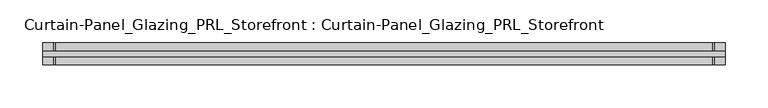
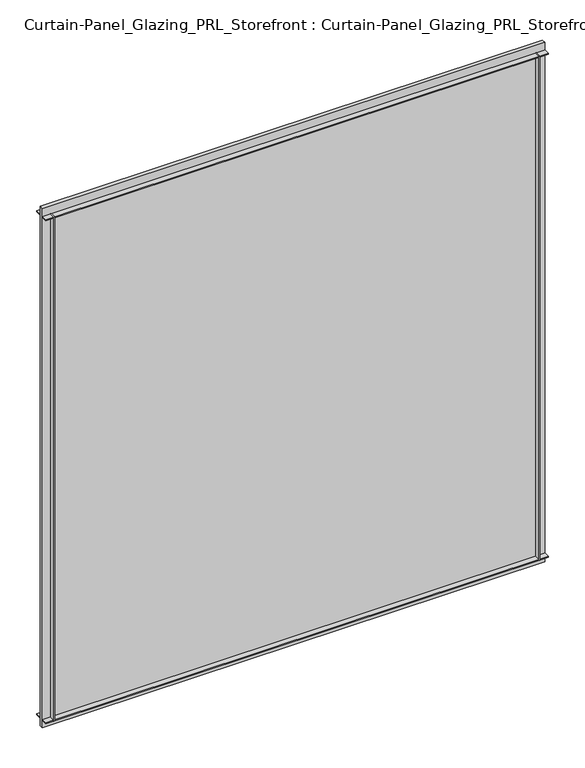
"""IFC4 building model written with IfcOpenShell, lengths in millimetres: plate geometry, Curtain-Panel_Glazing_PRL_Storefront : Curtain-Panel_Glazing_PRL_Storefront."""

import ifcopenshell
import ifcopenshell.guid

model = None  # the IFC model being written
_history = None  # IfcOwnerHistory: only IFC2X3 demands one
_inside = {}  # id of a spatial element -> (the spatial element, [elements in it])
_under = {}  # id of a project, library or spatial element -> (it, [spatial elements below it])
_declared = {}  # id of a project -> (the project, [libraries it declares])
_typed = {}  # id of a type object -> (the type object, [elements of that type])
_made_of = {}  # id of a material, layer set ... -> (it, [elements and type objects made of it])


def new_model(schema):
    """Start an empty IFC model of exactly this schema.

    Asked for "IFC4X3", IfcOpenShell would pick the latest addendum, in which some entities
    have other attributes; the version numbers below select the first issue.
    IFC2X3 requires an IfcOwnerHistory on every rooted entity: one is made here for all.
    """
    global model, _history
    if schema == "IFC4X3":
        model = ifcopenshell.file(schema_version=(4, 3, 0, 0))
    else:
        model = ifcopenshell.file(schema=schema)
    _inside.clear()
    _under.clear()
    _declared.clear()
    _typed.clear()
    _made_of.clear()
    _history = None
    if model.schema == "IFC2X3":
        org = make("IfcOrganization", Name="unknown")
        user = make(
            "IfcPersonAndOrganization",
            ThePerson=make("IfcPerson", FamilyName="unknown"),
            TheOrganization=org,
        )
        app = make(
            "IfcApplication",
            ApplicationDeveloper=org,
            Version="unknown",
            ApplicationFullName="unknown",
            ApplicationIdentifier="unknown",
        )
        _history = make(
            "IfcOwnerHistory",
            OwningUser=user,
            OwningApplication=app,
            ChangeAction="ADDED",
            CreationDate=0,
        )
    return model


def make(cls, **values):
    """One entity of the class cls with the attributes given. An attribute that is None is left unset."""
    return model.create_entity(
        cls, **{name: value for name, value in values.items() if value is not None}
    )


def rooted(cls, **values):
    """An entity with a GlobalId (a new one), such as an element, a storey or a relation."""
    return make(cls, GlobalId=ifcopenshell.guid.new(), OwnerHistory=_history, **values)


def si_unit(unit_type, name, prefix=None):
    """IfcSIUnit, for example si_unit("LENGTHUNIT", "METRE", prefix="MILLI")."""
    return make("IfcSIUnit", UnitType=unit_type, Prefix=prefix, Name=name)


def assignment(units):
    """IfcUnitAssignment: the units of a project."""
    return None if units is None else make("IfcUnitAssignment", Units=units)


def point(xyz):
    """IfcCartesianPoint."""
    return None if xyz is None else make("IfcCartesianPoint", Coordinates=xyz)


def direction(xyz):
    """IfcDirection."""
    return None if xyz is None else make("IfcDirection", DirectionRatios=xyz)


def frame(location, z_axis=None, x_axis=None):
    """IfcAxis2Placement3D, a coordinate frame: its origin and axes. An axis left out is left unset."""
    return make(
        "IfcAxis2Placement3D",
        Location=point(location),
        Axis=direction(z_axis),
        RefDirection=direction(x_axis),
    )


def origin():
    """The frame at (0, 0, 0) with its axes left unset."""
    return frame((0.0, 0.0, 0.0))


def origin_with_axes():
    """The frame at (0, 0, 0) with the z axis (0, 0, 1) and the x axis (1, 0, 0) written out."""
    return frame((0.0, 0.0, 0.0), z_axis=(0.0, 0.0, 1.0), x_axis=(1.0, 0.0, 0.0))


def place(relative_to, where):
    """IfcLocalPlacement: puts the frame where relative to a parent placement (None: the world)."""
    return make(
        "IfcLocalPlacement", PlacementRelTo=relative_to, RelativePlacement=where
    )


def context(
    kind, dimensions, precision=None, world=None, true_north=None, identifier=None
):
    """IfcGeometricRepresentationContext, for example the 3D "Model" context."""
    return make(
        "IfcGeometricRepresentationContext",
        ContextIdentifier=identifier,
        ContextType=kind,
        CoordinateSpaceDimension=dimensions,
        Precision=precision,
        WorldCoordinateSystem=world,
        TrueNorth=true_north,
    )


def project(units=None, contexts=None):
    """IfcProject with its units and contexts."""
    return rooted(
        "IfcProject",
        Name="project",
        RepresentationContexts=contexts,
        UnitsInContext=assignment(units),
    )


def spatial(cls, under=None, at=None, **own):
    """A site, building, storey or space (cls), placed at a placement, below another one or the project."""
    s = rooted(cls, ObjectPlacement=at, **own)
    if under is not None:
        _under.setdefault(under.id(), (under, []))[1].append(s)
    return s


def polyline(points):
    """IfcPolyline through the points."""
    return make("IfcPolyline", Points=[point(p) for p in points])


def outline(outer, holes=None, kind="AREA"):
    """IfcArbitraryClosedProfileDef: a profile drawn as a closed curve; with holes, ...WithVoids."""
    if holes is None:
        return make("IfcArbitraryClosedProfileDef", ProfileType=kind, OuterCurve=outer)
    return make(
        "IfcArbitraryProfileDefWithVoids",
        ProfileType=kind,
        OuterCurve=outer,
        InnerCurves=holes,
    )


def extrude(swept, where, along, depth):
    """IfcExtrudedAreaSolid: the profile swept, set in the frame where, extruded along a direction by depth."""
    return make(
        "IfcExtrudedAreaSolid",
        SweptArea=swept,
        Position=where,
        ExtrudedDirection=direction(along),
        Depth=depth,
    )


def shape(context_of_items, identifier, shape_type, items):
    """IfcShapeRepresentation: the items that make up one representation, for example the "Body"."""
    return make(
        "IfcShapeRepresentation",
        ContextOfItems=context_of_items,
        RepresentationIdentifier=identifier,
        RepresentationType=shape_type,
        Items=items,
    )


def source(mapping_origin, context_of_items, identifier, shape_type, items):
    """IfcRepresentationMap: a shape defined once, which mapped items show again and again."""
    return make(
        "IfcRepresentationMap",
        MappingOrigin=mapping_origin,
        MappedRepresentation=shape(context_of_items, identifier, shape_type, items),
    )


def transform(
    local_origin,
    x_axis=None,
    y_axis=None,
    z_axis=None,
    scale=None,
    scale2=None,
    scale3=None,
    uniform=True,
):
    """IfcCartesianTransformationOperator3D, or its non-uniform kind. x_axis, y_axis, z_axis: its Axis1, 2, 3."""
    if uniform:
        return make(
            "IfcCartesianTransformationOperator3D",
            Axis1=direction(x_axis),
            Axis2=direction(y_axis),
            LocalOrigin=point(local_origin),
            Scale=scale,
            Axis3=direction(z_axis),
        )
    return make(
        "IfcCartesianTransformationOperator3DnonUniform",
        Axis1=direction(x_axis),
        Axis2=direction(y_axis),
        LocalOrigin=point(local_origin),
        Scale=scale,
        Axis3=direction(z_axis),
        Scale2=scale2,
        Scale3=scale3,
    )


def mapped(mapping_source, mapping_target):
    """IfcMappedItem: shows the shape of a source again, moved by a transform."""
    return make(
        "IfcMappedItem", MappingSource=mapping_source, MappingTarget=mapping_target
    )


def made_of(thing, what):
    """Note that an element or type object is made of a material, layer set ...; save() writes the relation."""
    if what is not None:
        _made_of.setdefault(what.id(), (what, []))[1].append(thing)
    return thing


def element(
    cls,
    number,
    at=None,
    inside=None,
    cuts=None,
    type_object=None,
    material=None,
    context=None,
    identifier="Body",
    shape_type=None,
    held_by="IfcProductDefinitionShape",
    body=None,
    shapes=None,
    **own,
):
    """One element of the class cls, such as IfcWall. Its Tag is "e" and its number.

    at: its placement. inside: the storey or other place that contains it. cuts: it is an
    opening in that element (IfcRelVoidsElement). A single representation is given by context,
    identifier, shape_type and body (its items); several are given by shapes. held_by: the class
    of the entity that holds the representations. save() writes the other relations.
    """
    e = rooted(cls, Tag="e%d" % number, ObjectPlacement=at, **own)
    if body is not None:
        shapes = [shape(context, identifier, shape_type, body)]
    if shapes is not None:
        e.Representation = make(held_by, Representations=shapes)
    if inside is not None:
        _inside.setdefault(inside.id(), (inside, []))[1].append(e)
    if cuts is not None:
        rooted(
            "IfcRelVoidsElement", RelatingBuildingElement=cuts, RelatedOpeningElement=e
        )
    if type_object is not None:
        _typed.setdefault(type_object.id(), (type_object, []))[1].append(e)
    return made_of(e, material)


def aggregate(whole, parts):
    """IfcRelAggregates: a whole, such as a stair, and the parts it consists of."""
    return rooted("IfcRelAggregates", RelatingObject=whole, RelatedObjects=parts)


def save(model, path):
    """Write the relations noted so far, then the file.

    IfcRelAggregates (storeys below a building ...), IfcRelContainedInSpatialStructure (elements
    in a storey), IfcRelDefinesByType, IfcRelAssociatesMaterial and IfcRelDeclares: one each for
    every whole, place, type object, material and project.
    """
    for whole, parts in _under.values():
        aggregate(whole, parts)
    for where, things in _inside.values():
        rooted(
            "IfcRelContainedInSpatialStructure",
            RelatedElements=things,
            RelatingStructure=where,
        )
    for kind, things in _typed.values():
        rooted("IfcRelDefinesByType", RelatedObjects=things, RelatingType=kind)
    for what, things in _made_of.values():
        rooted("IfcRelAssociatesMaterial", RelatedObjects=things, RelatingMaterial=what)
    for by, libraries in _declared.values():
        rooted("IfcRelDeclares", RelatingContext=by, RelatedDefinitions=libraries)
    model.write(path)


def curtain_panel_glazing_prl_storefront_curtain_panel_glazing_f8c42376(model_context):
    return source(origin(), model_context, "Body", "SweptSolid", [
        extrude(outline(polyline([(384.175, -12.7), (382.5875, -12.7), (382.5875, -3.175), (384.175, -3.175), (384.175, -12.7)])), frame((0.0, 0.0, 12.7), z_axis=(0.0, 0.0, 1.0), x_axis=(1.0, 0.0, 0.0)), (0.0, 0.0, 1.0), 841.375),
        extrude(outline(polyline([(384.175, 12.7), (384.175, 3.175), (382.5875, 3.175), (382.5875, 12.7), (384.175, 12.7)])), frame((0.0, 0.0, 12.7), z_axis=(0.0, 0.0, 1.0), x_axis=(1.0, 0.0, 0.0)), (0.0, 0.0, 1.0), 841.375),
        extrude(outline(polyline([(-384.175, -12.7), (-384.175, -3.175), (-382.5875, -3.175), (-382.5875, -12.7), (-384.175, -12.7)])), frame((0.0, 0.0, 12.7), z_axis=(0.0, 0.0, 1.0), x_axis=(1.0, 0.0, 0.0)), (0.0, 0.0, 1.0), 841.375),
        extrude(outline(polyline([(-384.175, 12.7), (-382.5875, 12.7), (-382.5875, 3.175), (-384.175, 3.175), (-384.175, 12.7)])), frame((0.0, 0.0, 12.7), z_axis=(0.0, 0.0, 1.0), x_axis=(1.0, 0.0, 0.0)), (0.0, 0.0, 1.0), 841.375),
        extrude(outline(polyline([(396.875, 3.175), (396.875, -3.175), (-396.875, -3.175), (-396.875, 3.175), (396.875, 3.175)])), origin_with_axes(), (0.0, 0.0, 1.0), 866.775),
        extrude(outline(polyline([(-396.875, -12.7), (-396.875, -3.175), (396.875, -3.175), (396.875, -12.7), (-396.875, -12.7)])), frame((0.0, 0.0, 852.4875), z_axis=(0.0, 0.0, 1.0), x_axis=(1.0, 0.0, 0.0)), (0.0, 0.0, 1.0), 1.5875),
        extrude(outline(polyline([(-396.875, 12.7), (396.875, 12.7), (396.875, 3.175), (-396.875, 3.175), (-396.875, 12.7)])), frame((0.0, 0.0, 852.4875), z_axis=(0.0, 0.0, 1.0), x_axis=(1.0, 0.0, 0.0)), (0.0, 0.0, 1.0), 1.5875),
        extrude(outline(polyline([(-396.875, -12.7), (-396.875, -3.175), (396.875, -3.175), (396.875, -12.7), (-396.875, -12.7)])), frame((0.0, 0.0, 12.7), z_axis=(0.0, 0.0, 1.0), x_axis=(1.0, 0.0, 0.0)), (0.0, 0.0, 1.0), 1.5875),
        extrude(outline(polyline([(-396.875, 12.7), (396.875, 12.7), (396.875, 3.175), (-396.875, 3.175), (-396.875, 12.7)])), frame((0.0, 0.0, 12.7), z_axis=(0.0, 0.0, 1.0), x_axis=(1.0, 0.0, 0.0)), (0.0, 0.0, 1.0), 1.5875),
    ])


if __name__ == "__main__":
    model = new_model("IFC4")
    model_context = context("Model", 3, world=origin())
    ifc_project = project(units=[si_unit("LENGTHUNIT", "METRE", prefix="MILLI")], contexts=[model_context])
    site = spatial("IfcSite", under=ifc_project)
    building = spatial("IfcBuilding", under=site)
    placement = place(None, origin())
    curtain_panel_glazing_prl_storefront_curtain_panel_glazing_shape = curtain_panel_glazing_prl_storefront_curtain_panel_glazing_f8c42376(model_context)
    element("IfcPlate", 1, ObjectType="Curtain-Panel_Glazing_PRL_Storefront : Curtain-Panel_Glazing_PRL_Storefront", at=placement, inside=building, context=model_context, shape_type="MappedRepresentation", body=[
        mapped(curtain_panel_glazing_prl_storefront_curtain_panel_glazing_shape, transform((0.0, 0.0, 0.0), x_axis=(1.0, 0.0, 0.0), y_axis=(0.0, 1.0, 0.0), z_axis=(0.0, 0.0, 1.0))),
    ])
    save(model, "model.ifc")
